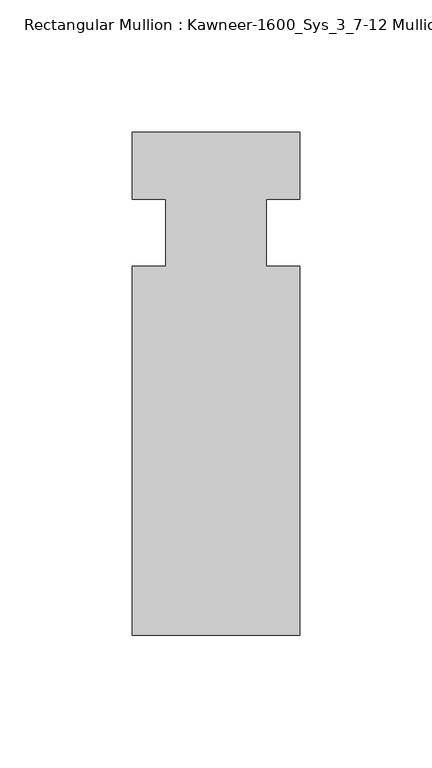
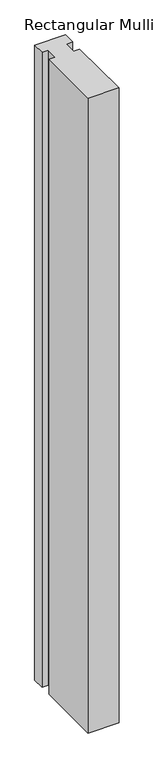
"""IFC4 building model written with IfcOpenShell, lengths in millimetres: member geometry, Rectangular Mullion : Kawneer-1600_Sys_3_7-12 Mullion_Horizontal."""

from ifc_helpers import new_model, si_unit, frame, origin, place, context, project, spatial, polyline, outline, extrude, source, transform, mapped, element, save


def rectangular_mullion_kawneer_1600_sys_3_7_12_mullion_d30a26d0(model_context):
    return source(origin(), model_context, "Body", "SweptSolid", [
        extrude(outline(polyline([(36.0844027, -152.4), (-27.4155973, -152.4), (-27.4155973, -12.7), (-14.7155973, -12.7), (-14.7155973, 12.7), (-27.4155973, 12.7), (-27.4155973, 38.1), (36.0844027, 38.1), (36.0844027, 12.7), (23.3826322, 12.7), (23.3826322, -12.7), (36.0844027, -12.7), (36.0844027, -152.4)])), frame((0.0, 0.0, -1382.2844027), z_axis=(0.0, 0.0, 1.0), x_axis=(1.0, 0.0, 0.0)), (0.0, 0.0, 1.0), 1382.2844027),
    ])


if __name__ == "__main__":
    model = new_model("IFC4")
    model_context = context("Model", 3, world=origin())
    ifc_project = project(units=[si_unit("LENGTHUNIT", "METRE", prefix="MILLI")], contexts=[model_context])
    site = spatial("IfcSite", under=ifc_project)
    building = spatial("IfcBuilding", under=site)
    placement = place(None, origin())
    rectangular_mullion_kawneer_1600_sys_3_7_12_mullion_shape = rectangular_mullion_kawneer_1600_sys_3_7_12_mullion_d30a26d0(model_context)
    element("IfcMember", 1, ObjectType="Rectangular Mullion : Kawneer-1600_Sys_3_7-12 Mullion_Horizontal", at=placement, inside=building, context=model_context, shape_type="MappedRepresentation", body=[
        mapped(rectangular_mullion_kawneer_1600_sys_3_7_12_mullion_shape, transform((0.0, 0.0, 0.0), x_axis=(1.0, 0.0, 0.0), y_axis=(0.0, 1.0, 0.0), z_axis=(0.0, 0.0, 1.0))),
    ])
    save(model, "model.ifc")
